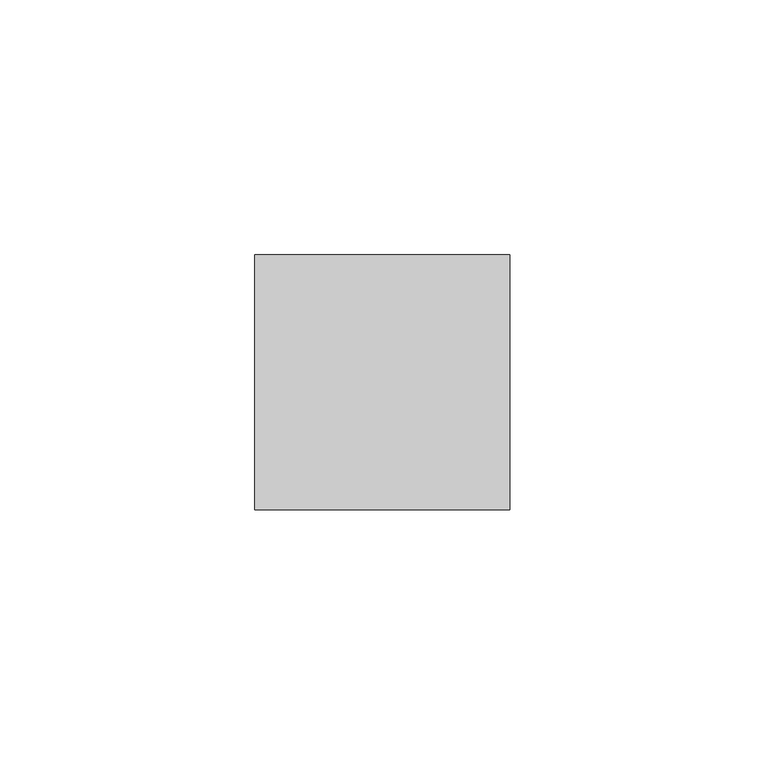
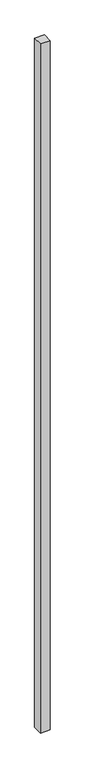
"""IFC4 building model written with IfcOpenShell, lengths in millimetres: member geometry."""

from ifc_helpers import new_model, si_unit, frame, origin, place, context, project, spatial, polyline, outline, extrude, source, transform, mapped, element, save


def member_2a2598a0(model_context):
    return source(origin(), model_context, "Body", "SweptSolid", [
        extrude(outline(polyline([(25.0, 25.0), (25.0, -25.0), (-25.0, -25.0), (-25.0, 25.0), (25.0, 25.0)])), frame((0.0, 0.0, -3700.0), z_axis=(0.0, 0.0, 1.0), x_axis=(1.0, 0.0, 0.0)), (0.0, 0.0, 1.0), 3700.0),
    ])


if __name__ == "__main__":
    model = new_model("IFC4")
    model_context = context("Model", 3, world=origin())
    ifc_project = project(units=[si_unit("LENGTHUNIT", "METRE", prefix="MILLI")], contexts=[model_context])
    site = spatial("IfcSite", under=ifc_project)
    building = spatial("IfcBuilding", under=site)
    placement = place(None, origin())
    member_shape = member_2a2598a0(model_context)
    element("IfcMember", 1, at=placement, inside=building, context=model_context, shape_type="MappedRepresentation", body=[
        mapped(member_shape, transform((0.0, 0.0, 0.0), x_axis=(1.0, 0.0, 0.0), y_axis=(0.0, 1.0, 0.0), z_axis=(0.0, 0.0, 1.0))),
    ])
    save(model, "model.ifc")
